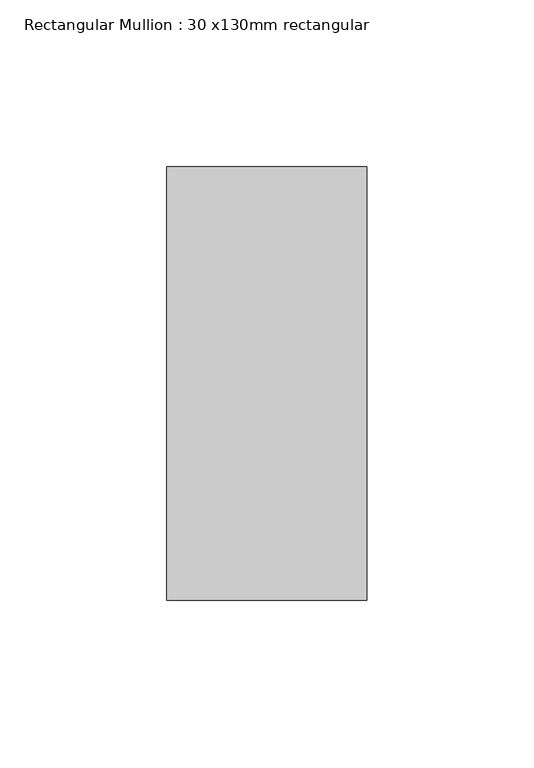
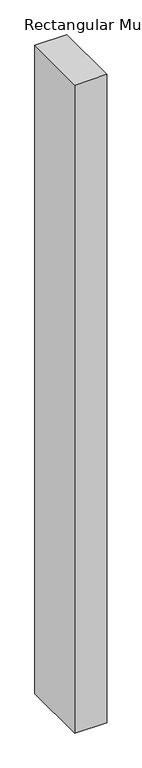
"""IFC4 building model written with IfcOpenShell, lengths in millimetres: member geometry, Rectangular Mullion : 30 x130mm rectangular."""

from ifc_helpers import new_model, si_unit, frame, origin, place, context, project, spatial, polyline, outline, extrude, source, transform, mapped, element, save


def rectangular_mullion_30_x130mm_rectangular_18f6e458(model_context):
    return source(origin(), model_context, "Body", "SweptSolid", [
        extrude(outline(polyline([(0.0, 65.0), (0.0, -65.0), (-60.0, -65.0), (-60.0, 65.0), (0.0, 65.0)])), frame((0.0, 0.0, -1290.6666667), z_axis=(0.0, 0.0, 1.0), x_axis=(1.0, 0.0, 0.0)), (0.0, 0.0, 1.0), 1290.6666667),
    ])


if __name__ == "__main__":
    model = new_model("IFC4")
    model_context = context("Model", 3, world=origin())
    ifc_project = project(units=[si_unit("LENGTHUNIT", "METRE", prefix="MILLI")], contexts=[model_context])
    site = spatial("IfcSite", under=ifc_project)
    building = spatial("IfcBuilding", under=site)
    placement = place(None, origin())
    rectangular_mullion_30_x130mm_rectangular_shape = rectangular_mullion_30_x130mm_rectangular_18f6e458(model_context)
    element("IfcMember", 1, ObjectType="Rectangular Mullion : 30 x130mm rectangular", at=placement, inside=building, context=model_context, shape_type="MappedRepresentation", body=[
        mapped(rectangular_mullion_30_x130mm_rectangular_shape, transform((0.0, 0.0, 0.0), x_axis=(1.0, 0.0, 0.0), y_axis=(0.0, 1.0, 0.0), z_axis=(0.0, 0.0, 1.0))),
    ])
    save(model, "model.ifc")
